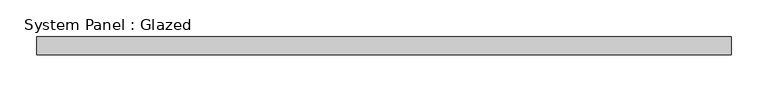
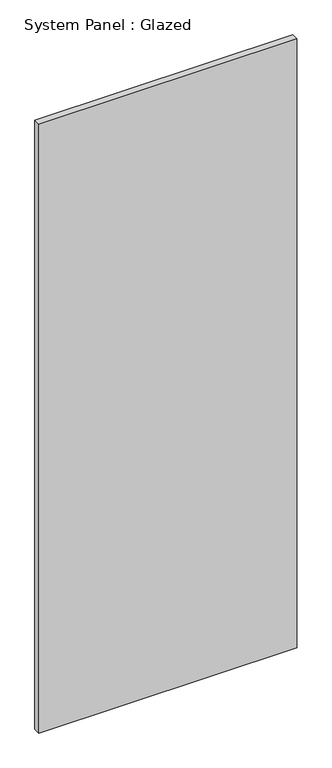
"""IFC4 building model written with IfcOpenShell, lengths in millimetres: plate geometry, System Panel : Glazed."""

from ifc_helpers import new_model, si_unit, origin, origin_with_axes, place, context, project, spatial, polyline, outline, extrude, source, transform, mapped, element, save


def system_panel_glazed_8996d0ec(model_context):
    return source(origin(), model_context, "Body", "SweptSolid", [
        extrude(outline(polyline([(475.0, -37.5), (-475.0, -37.5), (-475.0, -12.5), (475.0, -12.5), (475.0, -37.5)])), origin_with_axes(), (0.0, 0.0, 1.0), 2370.0),
    ])


if __name__ == "__main__":
    model = new_model("IFC4")
    model_context = context("Model", 3, world=origin())
    ifc_project = project(units=[si_unit("LENGTHUNIT", "METRE", prefix="MILLI")], contexts=[model_context])
    site = spatial("IfcSite", under=ifc_project)
    building = spatial("IfcBuilding", under=site)
    placement = place(None, origin())
    system_panel_glazed_shape = system_panel_glazed_8996d0ec(model_context)
    element("IfcPlate", 1, ObjectType="System Panel : Glazed", at=placement, inside=building, context=model_context, shape_type="MappedRepresentation", body=[
        mapped(system_panel_glazed_shape, transform((0.0, 0.0, 0.0), x_axis=(1.0, 0.0, 0.0), y_axis=(0.0, 1.0, 0.0), z_axis=(0.0, 0.0, 1.0))),
    ])
    save(model, "model.ifc")
